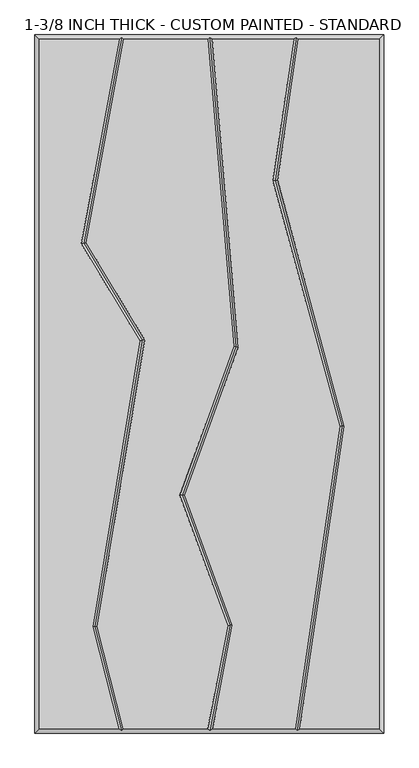
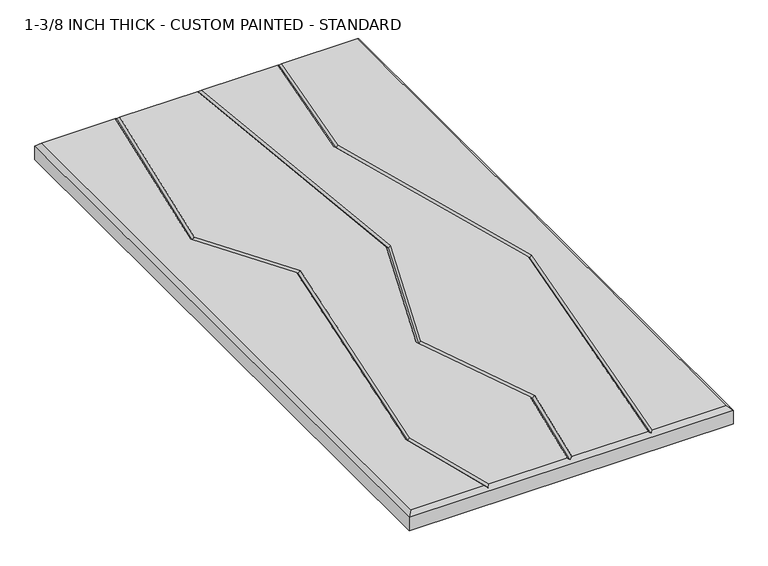
"""IFC4 building model written with IfcOpenShell, lengths in millimetres: proxy geometry, 1-3/8 INCH THICK - CUSTOM PAINTED - STANDARD."""

from ifc_helpers import new_model, si_unit, origin, place, context, project, spatial, faceted_brep, source, transform, mapped, element, save


def proxy_1_3_8_inch_thick_custom_painted_standard_4b95191c(model_context):
    return source(origin(), model_context, "Body", "Brep", [
        faceted_brep([(-296.799, 601.599, 34.925), (-296.799, -601.599, 34.925), (-158.5803509, -601.599, 34.925), (-204.1076125, -423.9126768, 34.925), (-121.6761617, 75.6458719, 34.925), (-223.5207333, 244.8349563, 34.925), (-157.9388411, 601.599, 34.925), (296.799, -601.599, 34.925), (296.799, 601.599, 34.925), (155.2631596, 601.599, 34.925), (118.9316967, 355.4997887, 34.925), (235.610381, -73.3512983, 34.925), (157.6255242, -601.599, 34.925), (-195.9395558, -423.5559486, 34.925), (-150.3208924, -601.599, 34.925), (-2.5427902, -601.599, 34.925), (31.8547327, -421.752345, 34.925), (-51.4382369, -194.5897006, 34.925), (42.0141797, 65.5616213, 34.925), (-3.3378717, 601.599, 34.925), (-149.8037818, 601.599, 34.925), (-215.1040836, 246.3668022, 34.925), (-113.3024346, 77.2490229, 34.925), (40.1296065, -421.0786666, 34.925), (5.6032357, -601.599, 34.925), (149.5378056, -601.599, 34.925), (227.4508614, -73.8376585, 34.925), (110.7721771, 355.0134284, 34.925), (147.175441, 601.599, 34.925), (4.6917136, 601.599, 34.925), (50.1337385, 64.4981813, 34.925), (-42.9266108, -194.5617101, 34.925), (-304.8, 609.6, 0.0), (304.8, 609.6, 0.0), (304.8, -609.6, 0.0), (-304.8, -609.6, 0.0), (-304.8, -609.6, 26.924), (-304.8, 609.6, 26.924), (304.8, -609.6, 26.924), (304.8, 609.6, 26.924), (-153.1359224, 605.5995, 30.9245), (0.3384541, 605.5995, 30.9245), (151.8098914, 605.5995, 30.9245), (152.9910738, -605.5995, 30.9245), (0.765086, -605.5995, 30.9245), (-153.4256029, -605.5995, 30.9245), (-200.0235842, -423.7343127, 30.9245), (-117.4892982, 76.4474474, 30.9245), (-219.3124085, 245.6008793, 30.9245), (35.9921696, -421.4155058, 30.9245), (-47.1824239, -194.5757053, 30.9245), (46.0739591, 65.0299013, 30.9245), (231.5306212, -73.5944784, 30.9245), (114.8519369, 355.2566085, 30.9245)], [[[0, 1, 2, 3, 4, 5, 6]], [[7, 8, 9, 10, 11, 12]], [[13, 14, 15, 16, 17, 18, 19, 20, 21, 22]], [[23, 24, 25, 26, 27, 28, 29, 30, 31]], [[32, 33, 34, 35]], [[32, 35, 36, 37]], [[35, 34, 38, 36]], [[34, 33, 39, 38]], [[33, 32, 37, 39]], [[37, 0, 6, 40, 20, 19, 41, 29, 28, 42, 9, 8, 39]], [[0, 37, 36, 1]], [[1, 36, 38, 7, 12, 43, 25, 24, 44, 15, 14, 45, 2]], [[39, 8, 7, 38]], [[46, 3, 2, 45]], [[13, 46, 45, 14]], [[3, 46, 47, 4]], [[46, 13, 22, 47]], [[4, 47, 48, 5]], [[47, 22, 21, 48]], [[5, 48, 40, 6]], [[48, 21, 20, 40]], [[49, 16, 15, 44]], [[23, 49, 44, 24]], [[16, 49, 50, 17]], [[49, 23, 31, 50]], [[17, 50, 51, 18]], [[50, 31, 30, 51]], [[18, 51, 41, 19]], [[51, 30, 29, 41]], [[52, 26, 25, 43]], [[11, 52, 43, 12]], [[26, 52, 53, 27]], [[52, 11, 10, 53]], [[27, 53, 42, 28]], [[53, 10, 9, 42]]]),
    ])


if __name__ == "__main__":
    model = new_model("IFC4")
    model_context = context("Model", 3, world=origin())
    ifc_project = project(units=[si_unit("LENGTHUNIT", "METRE", prefix="MILLI")], contexts=[model_context])
    site = spatial("IfcSite", under=ifc_project)
    building = spatial("IfcBuilding", under=site)
    placement = place(None, origin())
    proxy_1_3_8_inch_thick_custom_painted_standard_shape = proxy_1_3_8_inch_thick_custom_painted_standard_4b95191c(model_context)
    element("IfcBuildingElementProxy", 1, Name="1-3/8 INCH THICK - CUSTOM PAINTED - STANDARD", ObjectType="1-3/8 INCH THICK - CUSTOM PAINTED - STANDARD", at=placement, inside=building, context=model_context, shape_type="MappedRepresentation", body=[
        mapped(proxy_1_3_8_inch_thick_custom_painted_standard_shape, transform((0.0, 0.0, 0.0), x_axis=(1.0, 0.0, 0.0), y_axis=(0.0, 1.0, 0.0), z_axis=(0.0, 0.0, 1.0))),
    ])
    save(model, "model.ifc")
